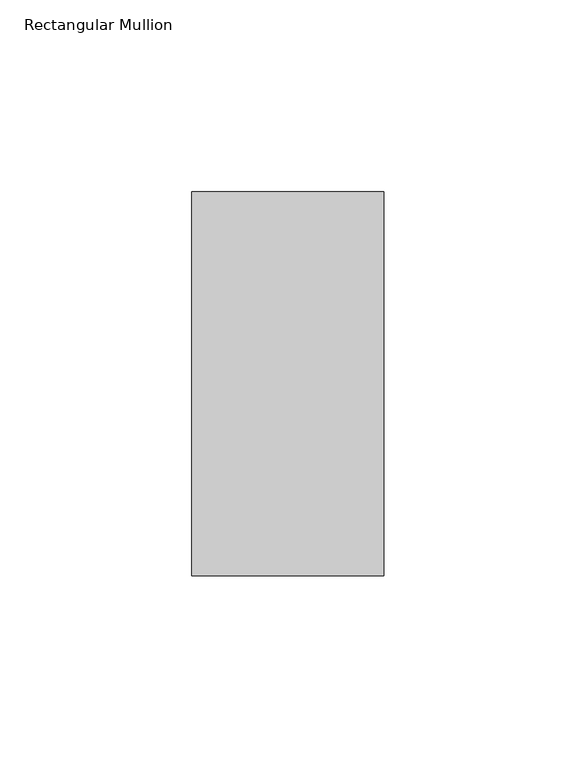
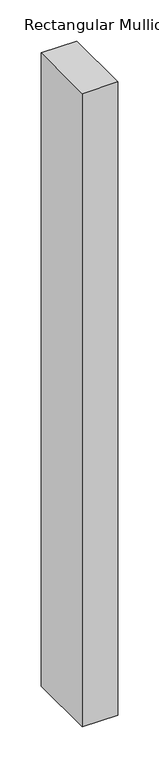
"""IFC4 building model written with IfcOpenShell, lengths in millimetres: member geometry, Rectangular Mullion."""

from ifc_helpers import new_model, si_unit, frame, origin, place, context, project, spatial, polyline, outline, extrude, source, transform, mapped, element, save


def rectangular_mullion_4bf75877(model_context):
    return source(origin(), model_context, "Body", "SweptSolid", [
        extrude(outline(polyline([(0.0, 31.0), (0.0, -69.0), (-50.0, -69.0), (-50.0, 31.0), (0.0, 31.0)])), frame((0.0, 0.0, -940.0), z_axis=(0.0, 0.0, 1.0), x_axis=(1.0, 0.0, 0.0)), (0.0, 0.0, 1.0), 940.0),
    ])


if __name__ == "__main__":
    model = new_model("IFC4")
    model_context = context("Model", 3, world=origin())
    ifc_project = project(units=[si_unit("LENGTHUNIT", "METRE", prefix="MILLI")], contexts=[model_context])
    site = spatial("IfcSite", under=ifc_project)
    building = spatial("IfcBuilding", under=site)
    placement = place(None, origin())
    rectangular_mullion_shape = rectangular_mullion_4bf75877(model_context)
    element("IfcMember", 1, ObjectType="Rectangular Mullion", at=placement, inside=building, context=model_context, shape_type="MappedRepresentation", body=[
        mapped(rectangular_mullion_shape, transform((0.0, 0.0, 0.0), x_axis=(1.0, 0.0, 0.0), y_axis=(0.0, 1.0, 0.0), z_axis=(0.0, 0.0, 1.0))),
    ])
    save(model, "model.ifc")
